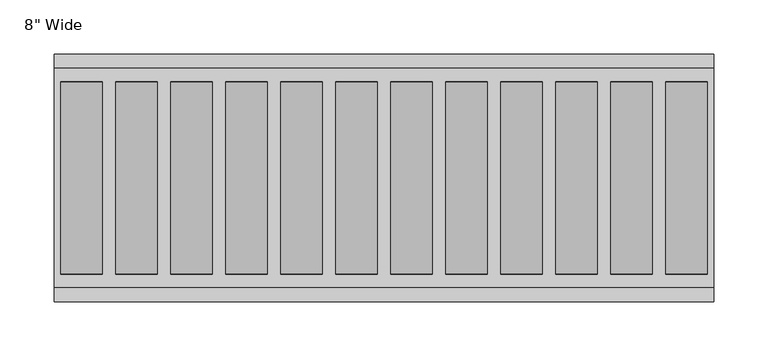
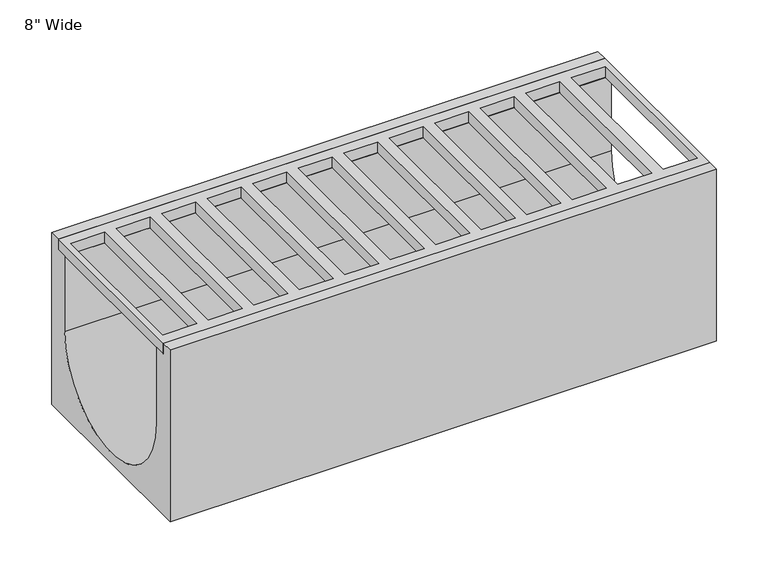
"""IFC4 building model written with IfcOpenShell, lengths in millimetres: proxy geometry."""

from ifc_helpers import new_model, si_unit, point, frame, frame_2d, origin, place, context, project, spatial, polyline, circle_curve, trimmed, segment, composite_curve, outline, extrude, source, transform, mapped, element, save


def proxy_69893cb0(model_context):
    return source(origin(), model_context, "Body", "SweptSolid", [
        extrude(outline(composite_curve([segment(polyline([(114.3, 0.0), (114.3, -203.2), (-114.3, -203.2), (-114.3, 0.0), (-101.6, 0.0), (-101.6, -12.7), (-88.9, -12.7), (-88.9, -101.6)]), True, "CONTINUOUS"), segment(trimmed(circle_curve(frame_2d((0.0, -101.6)), 88.9), [point((-88.9, -101.6))], [point((88.9, -101.6))], True, "CARTESIAN"), True, "CONTINUOUS"), segment(polyline([(88.9, -101.6), (88.9, -12.7), (101.6, -12.7), (101.6, 0.0), (114.3, 0.0)]), True, "CONTINUOUS")], self_intersect=False)), frame((-304.8, 0.0, 0.0), z_axis=(1.0, 0.0, 0.0), x_axis=(0.0, 1.0, 0.0)), (0.0, 0.0, 1.0), 609.6),
        extrude(outline(polyline([(304.8, 101.6), (304.8, -101.6), (-304.8, -101.6), (-304.8, 101.6), (304.8, 101.6)]), holes=[polyline([(-260.35, 88.9), (-298.45, 88.9), (-298.45, -88.9), (-260.35, -88.9), (-260.35, 88.9)]), polyline([(-209.55, 88.9), (-247.65, 88.9), (-247.65, -88.9), (-209.55, -88.9), (-209.55, 88.9)]), polyline([(-158.75, 88.9), (-196.85, 88.9), (-196.85, -88.9), (-158.75, -88.9), (-158.75, 88.9)]), polyline([(-107.95, 88.9), (-146.05, 88.9), (-146.05, -88.9), (-107.95, -88.9), (-107.95, 88.9)]), polyline([(-57.15, 88.9), (-95.25, 88.9), (-95.25, -88.9), (-57.15, -88.9), (-57.15, 88.9)]), polyline([(-6.35, 88.9), (-44.45, 88.9), (-44.45, -88.9), (-6.35, -88.9), (-6.35, 88.9)]), polyline([(44.45, 88.9), (6.35, 88.9), (6.35, -88.9), (44.45, -88.9), (44.45, 88.9)]), polyline([(95.25, 88.9), (57.15, 88.9), (57.15, -88.9), (95.25, -88.9), (95.25, 88.9)]), polyline([(146.05, 88.9), (107.95, 88.9), (107.95, -88.9), (146.05, -88.9), (146.05, 88.9)]), polyline([(196.85, 88.9), (158.75, 88.9), (158.75, -88.9), (196.85, -88.9), (196.85, 88.9)]), polyline([(247.65, 88.9), (209.55, 88.9), (209.55, -88.9), (247.65, -88.9), (247.65, 88.9)]), polyline([(298.45, 88.9), (260.35, 88.9), (260.35, -88.9), (298.45, -88.9), (298.45, 88.9)])]), frame((0.0, 0.0, -12.7), z_axis=(0.0, 0.0, 1.0), x_axis=(1.0, 0.0, 0.0)), (0.0, 0.0, 1.0), 12.7),
    ])


if __name__ == "__main__":
    model = new_model("IFC4")
    model_context = context("Model", 3, world=origin())
    ifc_project = project(units=[si_unit("LENGTHUNIT", "METRE", prefix="MILLI")], contexts=[model_context])
    site = spatial("IfcSite", under=ifc_project)
    building = spatial("IfcBuilding", under=site)
    placement = place(None, origin())
    proxy_shape = proxy_69893cb0(model_context)
    element("IfcBuildingElementProxy", 1, Name="8\" Wide", ObjectType="8\" Wide", at=placement, inside=building, context=model_context, shape_type="MappedRepresentation", body=[
        mapped(proxy_shape, transform((0.0, 0.0, 0.0), x_axis=(1.0, 0.0, 0.0), y_axis=(0.0, 1.0, 0.0), z_axis=(0.0, 0.0, 1.0))),
    ])
    save(model, "model.ifc")
